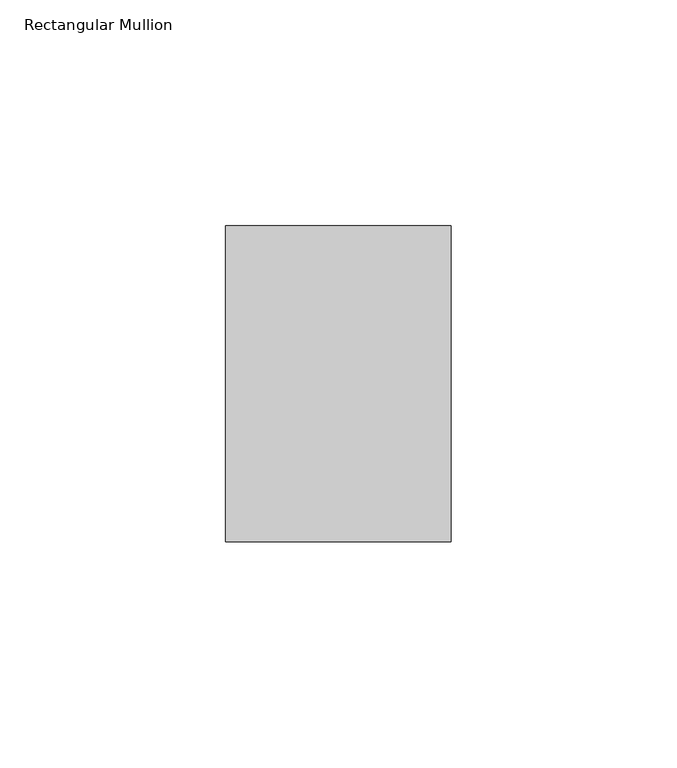
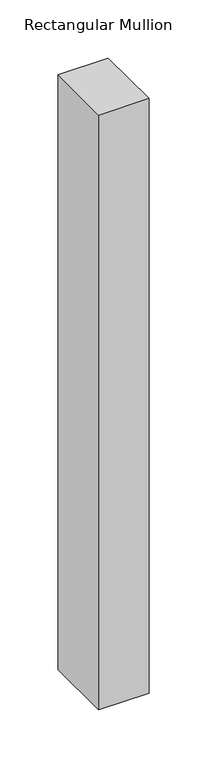
"""IFC4 building model written with IfcOpenShell, lengths in millimetres: member geometry, Rectangular Mullion."""

from ifc_helpers import new_model, si_unit, frame, origin, place, context, project, spatial, polyline, outline, extrude, source, transform, mapped, element, save


def rectangular_mullion_baafa6a9(model_context):
    return source(origin(), model_context, "Body", "SweptSolid", [
        extrude(outline(polyline([(0.0, 35.0), (0.0, -35.0), (-50.0, -35.0), (-50.0, 35.0), (0.0, 35.0)])), frame((0.0, 0.0, -625.0), z_axis=(0.0, 0.0, 1.0), x_axis=(1.0, 0.0, 0.0)), (0.0, 0.0, 1.0), 625.0),
    ])


if __name__ == "__main__":
    model = new_model("IFC4")
    model_context = context("Model", 3, world=origin())
    ifc_project = project(units=[si_unit("LENGTHUNIT", "METRE", prefix="MILLI")], contexts=[model_context])
    site = spatial("IfcSite", under=ifc_project)
    building = spatial("IfcBuilding", under=site)
    placement = place(None, origin())
    rectangular_mullion_shape = rectangular_mullion_baafa6a9(model_context)
    element("IfcMember", 1, ObjectType="Rectangular Mullion", at=placement, inside=building, context=model_context, shape_type="MappedRepresentation", body=[
        mapped(rectangular_mullion_shape, transform((0.0, 0.0, 0.0), x_axis=(1.0, 0.0, 0.0), y_axis=(0.0, 1.0, 0.0), z_axis=(0.0, 0.0, 1.0))),
    ])
    save(model, "model.ifc")
